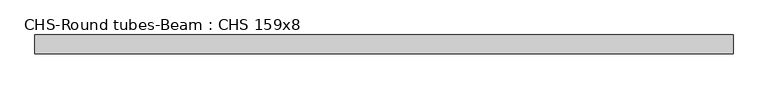
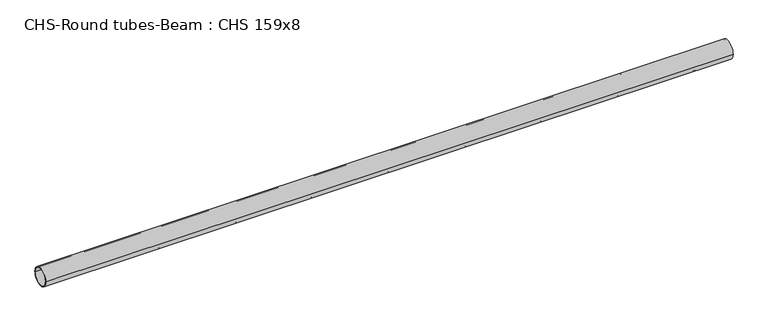
"""IFC4 building model written with IfcOpenShell, lengths in millimetres: beam geometry, CHS-Round tubes-Beam : CHS 159x8."""

from ifc_helpers import new_model, si_unit, point, frame, origin, origin_2d, place, context, project, spatial, circle_curve, trimmed, segment, composite_curve, outline, extrude, source, transform, mapped, element, save


def chs_round_tubes_beam_chs_159x8_8e052065(model_context):
    return source(origin(), model_context, "Body", "SweptSolid", [
        extrude(outline(composite_curve([segment(trimmed(circle_curve(origin_2d(), 79.5), [point((79.5, 0.0))], [point((-79.5, 0.0))], False, "CARTESIAN"), True, "CONTINUOUS"), segment(trimmed(circle_curve(origin_2d(), 79.5), [point((-79.5, 0.0))], [point((79.5, 0.0))], False, "CARTESIAN"), True, "CONTINUOUS")], self_intersect=False), holes=[composite_curve([segment(trimmed(circle_curve(origin_2d(), 71.5), [point((71.5, 0.0))], [point((-71.5, 0.0))], True, "CARTESIAN"), True, "CONTINUOUS"), segment(trimmed(circle_curve(origin_2d(), 71.5), [point((-71.5, 0.0))], [point((71.5, 0.0))], True, "CARTESIAN"), True, "CONTINUOUS")], self_intersect=False)]), frame((-2941.2607513, 0.0, 0.0), z_axis=(1.0, 0.0, 0.0), x_axis=(0.0, 1.0, 0.0)), (0.0, 0.0, 1.0), 5882.5215025),
    ])


if __name__ == "__main__":
    model = new_model("IFC4")
    model_context = context("Model", 3, world=origin())
    ifc_project = project(units=[si_unit("LENGTHUNIT", "METRE", prefix="MILLI")], contexts=[model_context])
    site = spatial("IfcSite", under=ifc_project)
    building = spatial("IfcBuilding", under=site)
    placement = place(None, origin())
    chs_round_tubes_beam_chs_159x8_shape = chs_round_tubes_beam_chs_159x8_8e052065(model_context)
    element("IfcBeam", 1, ObjectType="CHS-Round tubes-Beam : CHS 159x8", at=placement, inside=building, context=model_context, shape_type="MappedRepresentation", body=[
        mapped(chs_round_tubes_beam_chs_159x8_shape, transform((0.0, 0.0, 0.0), x_axis=(1.0, 0.0, 0.0), y_axis=(0.0, 1.0, 0.0), z_axis=(0.0, 0.0, 1.0))),
    ])
    save(model, "model.ifc")
